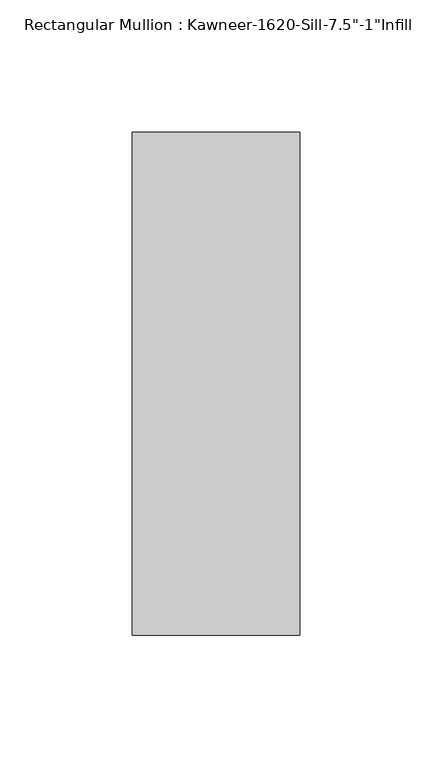
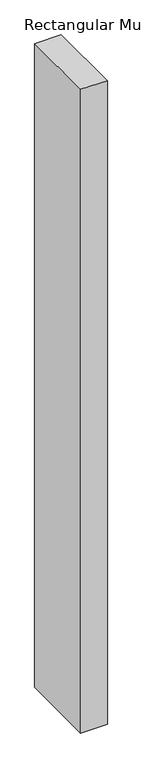
"""IFC4 building model written with IfcOpenShell, lengths in millimetres: member geometry."""

from ifc_helpers import new_model, si_unit, frame, origin, place, context, project, spatial, polyline, outline, extrude, source, transform, mapped, element, save


def member_747be3c5(model_context):
    return source(origin(), model_context, "Body", "SweptSolid", [
        extrude(outline(polyline([(-63.5, 38.1), (0.0, 38.1), (0.0, -152.4), (-63.5, -152.4), (-63.5, 38.1)])), frame((0.0, 0.0, -1625.6), z_axis=(0.0, 0.0, 1.0), x_axis=(1.0, 0.0, 0.0)), (0.0, 0.0, 1.0), 1625.6),
    ])


if __name__ == "__main__":
    model = new_model("IFC4")
    model_context = context("Model", 3, world=origin())
    ifc_project = project(units=[si_unit("LENGTHUNIT", "METRE", prefix="MILLI")], contexts=[model_context])
    site = spatial("IfcSite", under=ifc_project)
    building = spatial("IfcBuilding", under=site)
    placement = place(None, origin())
    member_shape = member_747be3c5(model_context)
    element("IfcMember", 1, ObjectType="Rectangular Mullion : Kawneer-1620-Sill-7.5\"-1\"Infill", at=placement, inside=building, context=model_context, shape_type="MappedRepresentation", body=[
        mapped(member_shape, transform((0.0, 0.0, 0.0), x_axis=(1.0, 0.0, 0.0), y_axis=(0.0, 1.0, 0.0), z_axis=(0.0, 0.0, 1.0))),
    ])
    save(model, "model.ifc")
